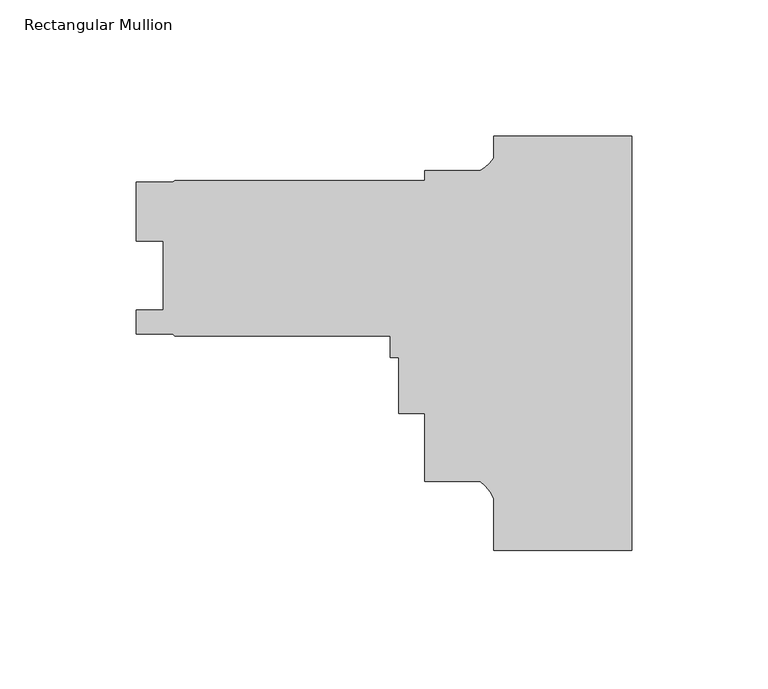
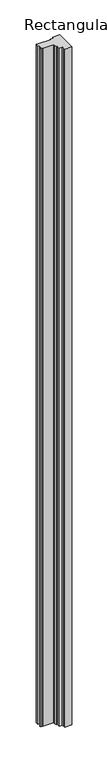
"""IFC4 building model written with IfcOpenShell, lengths in millimetres: member geometry, Rectangular Mullion."""

from ifc_helpers import new_model, si_unit, point, frame, frame_2d, origin, place, context, project, spatial, polyline, circle_curve, trimmed, segment, composite_curve, outline, extrude, source, transform, mapped, element, save


def rectangular_mullion_d4435478(model_context):
    return source(origin(), model_context, "Body", "SweptSolid", [
        extrude(outline(composite_curve([segment(polyline([(0.0, -151.8046875), (-50.8, -151.8046875), (-50.8, -132.7155246)]), True, "CONTINUOUS"), segment(trimmed(circle_curve(frame_2d((-64.9144624, -138.7686396)), 15.3576772), [point((-50.8, -132.7155246))], [point((-55.6934851, -126.4872786))], True, "CARTESIAN"), True, "CONTINUOUS"), segment(polyline([(-55.6934851, -126.4872786), (-76.1999898, -126.4872786), (-76.1999898, -101.4428786), (-85.7249898, -101.4428786), (-85.7249898, -80.8180786), (-88.8999898, -80.8180786), (-88.8999898, -73.031823), (-167.9927668, -73.031823), (-168.7865168, -72.238073), (-182.2802668, -72.238073), (-182.2802668, -63.500473), (-172.2345667, -63.500473), (-172.2345667, -38.100473), (-182.2675665, -38.100473), (-182.2675665, -16.3390229), (-168.7846602, -16.3390229), (-167.9927668, -15.881823), (-76.1999898, -15.881823), (-76.1999898, -12.1872786), (-55.7723453, -12.1872786)]), True, "CONTINUOUS"), segment(trimmed(circle_curve(frame_2d((-62.7094465, 0.3883845)), 14.3621265), [point((-55.7723453, -12.1872786))], [point((-50.8, -7.6388043))], True, "CARTESIAN"), True, "CONTINUOUS"), segment(polyline([(-50.8, -7.6388043), (-50.8, 0.5953125), (0.0, 0.5953125), (0.0, -151.8046875)]), True, "CONTINUOUS")], self_intersect=False)), frame((0.0, 0.0, -5259.6598764), z_axis=(0.0, 0.0, 1.0), x_axis=(1.0, 0.0, 0.0)), (0.0, 0.0, 1.0), 5259.6598764),
    ])


if __name__ == "__main__":
    model = new_model("IFC4")
    model_context = context("Model", 3, world=origin())
    ifc_project = project(units=[si_unit("LENGTHUNIT", "METRE", prefix="MILLI")], contexts=[model_context])
    site = spatial("IfcSite", under=ifc_project)
    building = spatial("IfcBuilding", under=site)
    placement = place(None, origin())
    rectangular_mullion_shape = rectangular_mullion_d4435478(model_context)
    element("IfcMember", 1, ObjectType="Rectangular Mullion", at=placement, inside=building, context=model_context, shape_type="MappedRepresentation", body=[
        mapped(rectangular_mullion_shape, transform((0.0, 0.0, 0.0), x_axis=(1.0, 0.0, 0.0), y_axis=(0.0, 1.0, 0.0), z_axis=(0.0, 0.0, 1.0))),
    ])
    save(model, "model.ifc")
